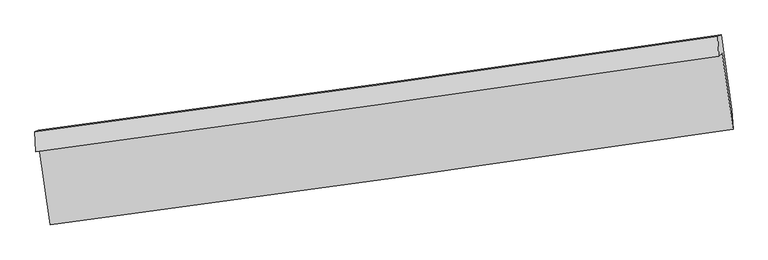
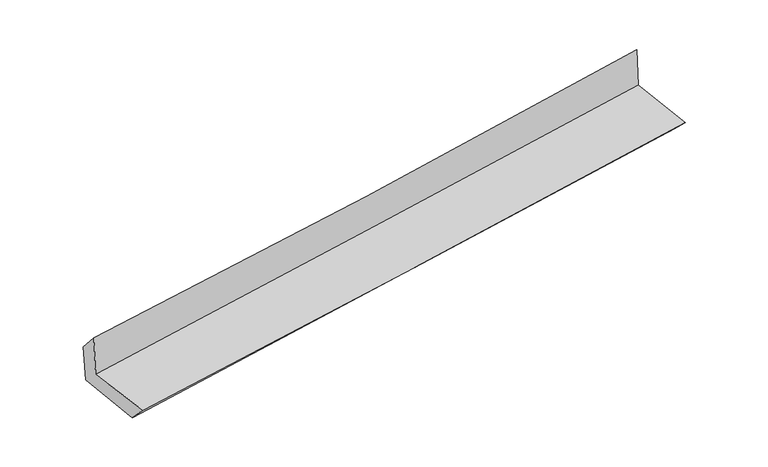
"""IFC4 building model written with IfcOpenShell, lengths in millimetres: proxy geometry."""

import ifcopenshell
import ifcopenshell.guid

model = None  # the IFC model being written
_history = None  # IfcOwnerHistory: only IFC2X3 demands one
_inside = {}  # id of a spatial element -> (the spatial element, [elements in it])
_under = {}  # id of a project, library or spatial element -> (it, [spatial elements below it])
_declared = {}  # id of a project -> (the project, [libraries it declares])
_typed = {}  # id of a type object -> (the type object, [elements of that type])
_made_of = {}  # id of a material, layer set ... -> (it, [elements and type objects made of it])


def new_model(schema):
    """Start an empty IFC model of exactly this schema.

    Asked for "IFC4X3", IfcOpenShell would pick the latest addendum, in which some entities
    have other attributes; the version numbers below select the first issue.
    IFC2X3 requires an IfcOwnerHistory on every rooted entity: one is made here for all.
    """
    global model, _history
    if schema == "IFC4X3":
        model = ifcopenshell.file(schema_version=(4, 3, 0, 0))
    else:
        model = ifcopenshell.file(schema=schema)
    _inside.clear()
    _under.clear()
    _declared.clear()
    _typed.clear()
    _made_of.clear()
    _history = None
    if model.schema == "IFC2X3":
        org = make("IfcOrganization", Name="unknown")
        user = make(
            "IfcPersonAndOrganization",
            ThePerson=make("IfcPerson", FamilyName="unknown"),
            TheOrganization=org,
        )
        app = make(
            "IfcApplication",
            ApplicationDeveloper=org,
            Version="unknown",
            ApplicationFullName="unknown",
            ApplicationIdentifier="unknown",
        )
        _history = make(
            "IfcOwnerHistory",
            OwningUser=user,
            OwningApplication=app,
            ChangeAction="ADDED",
            CreationDate=0,
        )
    return model


def make(cls, **values):
    """One entity of the class cls with the attributes given. An attribute that is None is left unset."""
    return model.create_entity(
        cls, **{name: value for name, value in values.items() if value is not None}
    )


def rooted(cls, **values):
    """An entity with a GlobalId (a new one), such as an element, a storey or a relation."""
    return make(cls, GlobalId=ifcopenshell.guid.new(), OwnerHistory=_history, **values)


def si_unit(unit_type, name, prefix=None):
    """IfcSIUnit, for example si_unit("LENGTHUNIT", "METRE", prefix="MILLI")."""
    return make("IfcSIUnit", UnitType=unit_type, Prefix=prefix, Name=name)


def assignment(units):
    """IfcUnitAssignment: the units of a project."""
    return None if units is None else make("IfcUnitAssignment", Units=units)


def point(xyz):
    """IfcCartesianPoint."""
    return None if xyz is None else make("IfcCartesianPoint", Coordinates=xyz)


def direction(xyz):
    """IfcDirection."""
    return None if xyz is None else make("IfcDirection", DirectionRatios=xyz)


def frame(location, z_axis=None, x_axis=None):
    """IfcAxis2Placement3D, a coordinate frame: its origin and axes. An axis left out is left unset."""
    return make(
        "IfcAxis2Placement3D",
        Location=point(location),
        Axis=direction(z_axis),
        RefDirection=direction(x_axis),
    )


def origin():
    """The frame at (0, 0, 0) with its axes left unset."""
    return frame((0.0, 0.0, 0.0))


def place(relative_to, where):
    """IfcLocalPlacement: puts the frame where relative to a parent placement (None: the world)."""
    return make(
        "IfcLocalPlacement", PlacementRelTo=relative_to, RelativePlacement=where
    )


def context(
    kind, dimensions, precision=None, world=None, true_north=None, identifier=None
):
    """IfcGeometricRepresentationContext, for example the 3D "Model" context."""
    return make(
        "IfcGeometricRepresentationContext",
        ContextIdentifier=identifier,
        ContextType=kind,
        CoordinateSpaceDimension=dimensions,
        Precision=precision,
        WorldCoordinateSystem=world,
        TrueNorth=true_north,
    )


def project(units=None, contexts=None):
    """IfcProject with its units and contexts."""
    return rooted(
        "IfcProject",
        Name="project",
        RepresentationContexts=contexts,
        UnitsInContext=assignment(units),
    )


def spatial(cls, under=None, at=None, **own):
    """A site, building, storey or space (cls), placed at a placement, below another one or the project."""
    s = rooted(cls, ObjectPlacement=at, **own)
    if under is not None:
        _under.setdefault(under.id(), (under, []))[1].append(s)
    return s


def shape(context_of_items, identifier, shape_type, items):
    """IfcShapeRepresentation: the items that make up one representation, for example the "Body"."""
    return make(
        "IfcShapeRepresentation",
        ContextOfItems=context_of_items,
        RepresentationIdentifier=identifier,
        RepresentationType=shape_type,
        Items=items,
    )


def source(mapping_origin, context_of_items, identifier, shape_type, items):
    """IfcRepresentationMap: a shape defined once, which mapped items show again and again."""
    return make(
        "IfcRepresentationMap",
        MappingOrigin=mapping_origin,
        MappedRepresentation=shape(context_of_items, identifier, shape_type, items),
    )


def transform(
    local_origin,
    x_axis=None,
    y_axis=None,
    z_axis=None,
    scale=None,
    scale2=None,
    scale3=None,
    uniform=True,
):
    """IfcCartesianTransformationOperator3D, or its non-uniform kind. x_axis, y_axis, z_axis: its Axis1, 2, 3."""
    if uniform:
        return make(
            "IfcCartesianTransformationOperator3D",
            Axis1=direction(x_axis),
            Axis2=direction(y_axis),
            LocalOrigin=point(local_origin),
            Scale=scale,
            Axis3=direction(z_axis),
        )
    return make(
        "IfcCartesianTransformationOperator3DnonUniform",
        Axis1=direction(x_axis),
        Axis2=direction(y_axis),
        LocalOrigin=point(local_origin),
        Scale=scale,
        Axis3=direction(z_axis),
        Scale2=scale2,
        Scale3=scale3,
    )


def mapped(mapping_source, mapping_target):
    """IfcMappedItem: shows the shape of a source again, moved by a transform."""
    return make(
        "IfcMappedItem", MappingSource=mapping_source, MappingTarget=mapping_target
    )


def made_of(thing, what):
    """Note that an element or type object is made of a material, layer set ...; save() writes the relation."""
    if what is not None:
        _made_of.setdefault(what.id(), (what, []))[1].append(thing)
    return thing


def element(
    cls,
    number,
    at=None,
    inside=None,
    cuts=None,
    type_object=None,
    material=None,
    context=None,
    identifier="Body",
    shape_type=None,
    held_by="IfcProductDefinitionShape",
    body=None,
    shapes=None,
    **own,
):
    """One element of the class cls, such as IfcWall. Its Tag is "e" and its number.

    at: its placement. inside: the storey or other place that contains it. cuts: it is an
    opening in that element (IfcRelVoidsElement). A single representation is given by context,
    identifier, shape_type and body (its items); several are given by shapes. held_by: the class
    of the entity that holds the representations. save() writes the other relations.
    """
    e = rooted(cls, Tag="e%d" % number, ObjectPlacement=at, **own)
    if body is not None:
        shapes = [shape(context, identifier, shape_type, body)]
    if shapes is not None:
        e.Representation = make(held_by, Representations=shapes)
    if inside is not None:
        _inside.setdefault(inside.id(), (inside, []))[1].append(e)
    if cuts is not None:
        rooted(
            "IfcRelVoidsElement", RelatingBuildingElement=cuts, RelatedOpeningElement=e
        )
    if type_object is not None:
        _typed.setdefault(type_object.id(), (type_object, []))[1].append(e)
    return made_of(e, material)


def aggregate(whole, parts):
    """IfcRelAggregates: a whole, such as a stair, and the parts it consists of."""
    return rooted("IfcRelAggregates", RelatingObject=whole, RelatedObjects=parts)


def save(model, path):
    """Write the relations noted so far, then the file.

    IfcRelAggregates (storeys below a building ...), IfcRelContainedInSpatialStructure (elements
    in a storey), IfcRelDefinesByType, IfcRelAssociatesMaterial and IfcRelDeclares: one each for
    every whole, place, type object, material and project.
    """
    for whole, parts in _under.values():
        aggregate(whole, parts)
    for where, things in _inside.values():
        rooted(
            "IfcRelContainedInSpatialStructure",
            RelatedElements=things,
            RelatingStructure=where,
        )
    for kind, things in _typed.values():
        rooted("IfcRelDefinesByType", RelatedObjects=things, RelatingType=kind)
    for what, things in _made_of.values():
        rooted("IfcRelAssociatesMaterial", RelatedObjects=things, RelatingMaterial=what)
    for by, libraries in _declared.values():
        rooted("IfcRelDeclares", RelatingContext=by, RelatedDefinitions=libraries)
    model.write(path)


def plane_surface(at):
    """IfcPlane: the flat surface through the origin of the frame at, square to its z axis."""
    return make("IfcPlane", Position=at)


def spline_curve(degree, points, multiplicities, knots, weights=None):
    """IfcBSplineCurveWithKnots; with weights, IfcRationalBSplineCurveWithKnots."""
    own = dict(
        Degree=degree,
        ControlPointsList=[point(p) for p in points],
        CurveForm="UNSPECIFIED",
        ClosedCurve=False,
        SelfIntersect=False,
        KnotMultiplicities=multiplicities,
        Knots=knots,
        KnotSpec="UNSPECIFIED",
    )
    if weights is None:
        return make("IfcBSplineCurveWithKnots", **own)
    return make("IfcRationalBSplineCurveWithKnots", WeightsData=weights, **own)


def spline_surface(u_degree, v_degree, points, u_multiplicities, v_multiplicities, u_knots, v_knots, weights=None):
    """IfcBSplineSurfaceWithKnots; with weights, IfcRationalBSplineSurfaceWithKnots. points: one row for each step in u."""
    own = dict(
        UDegree=u_degree,
        VDegree=v_degree,
        ControlPointsList=[[point(p) for p in row] for row in points],
        SurfaceForm="UNSPECIFIED",
        UClosed=False,
        VClosed=False,
        SelfIntersect=False,
        UMultiplicities=u_multiplicities,
        VMultiplicities=v_multiplicities,
        UKnots=u_knots,
        VKnots=v_knots,
        KnotSpec="UNSPECIFIED",
    )
    if weights is None:
        return make("IfcBSplineSurfaceWithKnots", **own)
    return make("IfcRationalBSplineSurfaceWithKnots", WeightsData=weights, **own)


def advanced_brep(points, edges, surfaces, faces):
    """IfcAdvancedBrep: a solid bounded by faces that lie on surfaces and meet in shared edges.

    An edge is (start, end): straight between two places in points (the first is 0);
    or (start, end, curve); or (start, end, curve, False) where it runs against its curve.
    A face is (place in surfaces, loops), or (place, loops, False) where it looks against
    its surface's normal. A loop lists edges by number (the first is 1), with a minus sign
    where the edge is run from its end to its start. The first loop is the outer one.
    """
    corners = [point(p) for p in points]
    vertices = [make("IfcVertexPoint", VertexGeometry=c) for c in corners]
    made = []
    for start, end, *more in edges:
        made.append(
            make(
                "IfcEdgeCurve",
                EdgeStart=vertices[start],
                EdgeEnd=vertices[end],
                EdgeGeometry=more[0] if more else make("IfcPolyline", Points=[corners[start], corners[end]]),
                SameSense=more[1] if len(more) > 1 else True,
            )
        )
    hull = []
    for where, loops, *sense in faces:
        bounds = []
        for j, loop in enumerate(loops):
            ring = [make("IfcOrientedEdge", EdgeElement=made[abs(k) - 1], Orientation=k > 0) for k in loop]
            bounds.append(
                make(
                    "IfcFaceOuterBound" if j == 0 else "IfcFaceBound",
                    Bound=make("IfcEdgeLoop", EdgeList=ring),
                    Orientation=True,
                )
            )
        hull.append(make("IfcAdvancedFace", Bounds=bounds, FaceSurface=surfaces[where], SameSense=sense[0] if sense else True))
    return make("IfcAdvancedBrep", Outer=make("IfcClosedShell", CfsFaces=hull))


def generic_models_9786837c(model_context):
    return source(origin(), model_context, "Body", "AdvancedBrep", [
        advanced_brep(
        [(-3006.6821248, -1918.5470822, 1671.4033771), (-2913.1944276, -2583.5057452, 1659.4992432), (3052.7755201, -1748.6826533, 2139.0803679), (2957.5568883, -1085.1748337, 2173.8986058), (-3038.3202676, -1945.0656993, 2090.2289712), (2926.9109725, -1110.861781, 2579.5891023), (-3045.8872223, -1770.7394773, 1892.4889397), (2919.245496, -936.2207759, 2382.4980766), (-3016.1698149, -1759.935154, 1522.3472365), (2948.1748446, -925.7029663, 2022.1719473), (-2921.4828015, -2412.1956887, 1475.2857384), (3042.8164975, -1577.6510298, 1975.1329944)],
        [
            (0, 1),
            (1, 2, spline_curve(3, [(-2913.1944276, -2583.5057452, 1659.4992432), (-1917.574700384, -2451.074007009, 1735.161779939), (-922.600108429, -2315.289464077, 1812.958189966), (1066.056537654, -2037.015084687, 1972.818574633), (2059.738595317, -1894.525264013, 2054.882539283), (3052.7755201, -1748.6826533, 2139.0803679)], [4, 2, 4], [0.0, 9.913338377901768, 19.826654158340528])),
            (2, 3),
            (3, 0, spline_curve(3, [(2957.5568883, -1085.1748337, 2173.8986058), (1964.231475124, -1231.259250672, 2093.519781633), (970.549417791, -1373.749071677, 2011.455816552), (-1017.530251508, -1651.539837336, 1843.957414941), (-2011.927865069, -1786.840766093, 1758.522970156), (-3006.6821248, -1918.5470822, 1671.4033771)], [4, 2, 4], [0.0, 9.91331578043876, 19.826654158340528])),
            (4, 0),
            (3, 5),
            (5, 4, spline_curve(3, [(2926.9109725, -1110.861781, 2579.5891023), (1934.99515867, -1255.764693147, 2480.550009205), (941.935216492, -1397.733066447, 2390.250488183), (-1046.475191786, -1675.801052482, 2227.1304049), (-2041.825662648, -1811.900652008, 2154.309881891), (-3038.3202676, -1945.0656993, 2090.2289712)], [4, 2, 4], [0.0, 9.913346650306751, 19.82671589814688])),
            (6, 4),
            (5, 7),
            (7, 6, spline_curve(3, [(2919.245496, -936.2207759, 2382.4980766), (1925.842436727, -1082.315433749, 2303.056703558), (932.047080747, -1224.905912295, 2222.501970405), (-1056.330490004, -1503.078828953, 2059.165596432), (-2050.912707051, -1638.66125066, 1976.383950994), (-3045.8872223, -1770.7394773, 1892.4889397)], [4, 2, 4], [0.0, 9.913373748884183, 19.826770095363514])),
            (8, 6),
            (7, 9),
            (9, 8, spline_curve(3, [(2948.1748446, -925.7029663, 2022.1719473), (1954.632036155, -1071.848432505, 1944.471205259), (960.832476821, -1214.44043937, 1863.968825957), (-1027.282408378, -1492.517851569, 1697.360601751), (-2021.597735653, -1628.003240398, 1611.254744325), (-3016.1698149, -1759.935154, 1522.3472365)], [4, 2, 4], [0.0, 9.913328740178336, 19.826680077849225])),
            (10, 8),
            (9, 11),
            (11, 10, spline_curve(3, [(3042.8164975, -1577.6510298, 1975.1329944), (2049.266563873, -1723.747413598, 1897.435793735), (1055.46722204, -1866.340918555, 1816.933306328), (-932.63254318, -2144.522487303, 1650.317566972), (-1926.932967779, -2280.11053558, 1564.204302768), (-2921.4828015, -2412.1956887, 1475.2857384)], [4, 2, 4], [0.0, 9.913344086185447, 19.826710769898426])),
            (1, 10),
            (11, 2),
        ],
        [
            spline_surface(3, 3, [[(-3006.6821248, -1918.5470822, 1671.4033771), (-2011.927865177, -1786.840766124, 1758.52297016), (-1017.53025156, -1651.539837444, 1843.957414799), (970.549417843, -1373.749071568, 2011.455816695), (1964.231475269, -1231.259250724, 2093.519781599), (2957.5568883, -1085.1748337, 2173.8986058)], [(-2975.519559068, -2140.199969858, 1667.435332479), (-1980.476810242, -2008.251846457, 1750.735906757), (-985.886870563, -1872.789712954, 1833.624339843), (1002.385124463, -1594.837742623, 1998.576735988), (1996.06718189, -1452.347921779, 2080.640700892), (2989.296432218, -1306.344106891, 2162.292526518)], [(-2944.356993332, -2361.852857542, 1663.467287821), (-1949.025755303, -2229.662926815, 1742.948843317), (-954.243489521, -2094.039588492, 1823.291264933), (1034.220831129, -1815.926413707, 1985.697655328), (2027.902888555, -1673.436592862, 2067.761620132), (3021.035976182, -1527.513380109, 2150.686447182)], [(-2913.1944276, -2583.5057452, 1659.4992432), (-1917.574700369, -2451.074007147, 1735.161779915), (-922.600108524, -2315.289464002, 1812.958189977), (1066.056537749, -2037.015084761, 1972.818574622), (2059.738595176, -1894.525263917, 2054.882539426), (3052.7755201, -1748.6826533, 2139.0803679)]], [4, 4], [4, 2, 4], [0.0, 2.2021292711327733], [0.0, 9.913338377901768, 19.826654158340528]),
            spline_surface(3, 3, [[(-3038.3202676, -1945.0656993, 2090.2289712), (-2041.82566276, -1811.900651949, 2154.309882027), (-1046.475191733, -1675.801052542, 2227.130404771), (941.935216439, -1397.733066387, 2390.250488312), (1934.995158736, -1255.764693046, 2480.550009273), (2926.9109725, -1110.861781, 2579.5891023)], [(-3027.774219988, -1936.226160259, 1950.620439815), (-2031.859730221, -1803.547356666, 2022.380911386), (-1036.826878325, -1667.713980855, 2099.406074782), (951.47328359, -1389.73840146, 2263.985597774), (1944.740597566, -1247.596212286, 2351.539933378), (2937.126277752, -1102.299465247, 2444.358936796)], [(-3017.228172412, -1927.386621241, 1811.011908485), (-2021.893797716, -1795.194061407, 1890.4519408), (-1027.178564968, -1659.626909131, 1971.681744789), (961.011350691, -1381.743736496, 2137.720707233), (1954.486036439, -1239.427731484, 2222.529857494), (2947.341583048, -1093.737149453, 2309.128771304)], [(-3006.6821248, -1918.5470822, 1671.4033771), (-2011.927865177, -1786.840766124, 1758.52297016), (-1017.53025156, -1651.539837444, 1843.957414799), (970.549417843, -1373.749071568, 2011.455816695), (1964.231475269, -1231.259250724, 2093.519781599), (2957.5568883, -1085.1748337, 2173.8986058)]], [4, 4], [4, 2, 4], [0.0, 1.2560040999665156], [0.0, 9.913369247840128, 19.82671589814688]),
            spline_surface(3, 3, [[(-3045.8872223, -1770.7394773, 1892.4889397), (-2050.912707038, -1638.661250583, 1976.383950847), (-1056.330490121, -1503.078828841, 2059.165596468), (932.047080865, -1224.905912407, 2222.50197037), (1925.8424367, -1082.315433666, 2303.056703693), (2919.245496, -936.2207759, 2382.4980766)], [(-3043.36490406, -1828.848217968, 1958.402283537), (-2047.883692272, -1696.407717707, 2035.692594578), (-1053.045390658, -1560.652903392, 2115.153865927), (935.343126057, -1282.514963718, 2278.418143042), (1928.893344065, -1140.131853443, 2362.221138877), (2921.800654853, -994.434444251, 2448.195085157)], [(-3040.84258584, -1886.956958632, 2024.315627363), (-2044.854677526, -1754.154184825, 2095.001238296), (-1049.760291196, -1618.22697799, 2171.142135312), (938.639171247, -1340.124015076, 2334.33431564), (1931.944251371, -1197.948273269, 2421.38557409), (2924.355813647, -1052.648112649, 2513.892093743)], [(-3038.3202676, -1945.0656993, 2090.2289712), (-2041.82566276, -1811.900651949, 2154.309882027), (-1046.475191733, -1675.801052542, 2227.130404771), (941.935216439, -1397.733066387, 2390.250488312), (1934.995158736, -1255.764693046, 2480.550009273), (2926.9109725, -1110.861781, 2579.5891023)]], [4, 4], [4, 2, 4], [0.0, 0.790977793743481], [0.0, 9.913396346479331, 19.826770095363514]),
            spline_surface(3, 3, [[(-3016.1698149, -1759.935154, 1522.3472365), (-2021.597735797, -1628.00324053, 1611.254744306), (-1027.282408455, -1492.517851531, 1697.360601769), (960.832476898, -1214.440439408, 1863.968825939), (1954.632036009, -1071.848432553, 1944.471205391), (2948.1748446, -925.7029663, 2022.1719473)], [(-3026.07561737, -1763.536595096, 1645.727804233), (-2031.36939288, -1631.555910544, 1732.964479819), (-1036.965102352, -1496.038177303, 1817.962266672), (951.237344879, -1217.928930409, 1983.479874086), (1945.035502886, -1075.337432952, 2063.999704826), (2938.53172838, -929.208902861, 2142.280657068)], [(-3035.98141983, -1767.138036204, 1769.108371967), (-2041.141049954, -1635.10858057, 1854.674215334), (-1046.647796225, -1499.55850307, 1938.563931564), (941.642212883, -1221.417421406, 2102.990922222), (1935.438969822, -1078.826433267, 2183.528204258), (2928.88861222, -932.714839339, 2262.389366832)], [(-3045.8872223, -1770.7394773, 1892.4889397), (-2050.912707038, -1638.661250583, 1976.383950847), (-1056.330490121, -1503.078828841, 2059.165596468), (932.047080865, -1224.905912407, 2222.50197037), (1925.8424367, -1082.315433666, 2303.056703693), (2919.245496, -936.2207759, 2382.4980766)]], [4, 4], [4, 2, 4], [0.0, 1.185961076041495], [0.0, 9.913351337670889, 19.826680077849225]),
            spline_surface(3, 3, [[(-2921.4828015, -2412.1956887, 1475.2857384), (-1926.932967825, -2280.110535471, 1564.204302666), (-932.632543157, -2144.522487393, 1650.317567036), (1055.467222017, -1866.340918464, 1816.933306263), (2049.266563727, -1723.74741356, 1897.43579386), (3042.8164975, -1577.6510298, 1975.1329944)], [(-2953.045139321, -2194.775510477, 1490.972904439), (-1958.487890503, -2062.741437168, 1579.887783219), (-964.182498247, -1927.187608794, 1665.998578589), (1023.922306987, -1649.040758801, 1832.611812798), (2017.721721181, -1506.447753205, 1913.114264369), (3011.269279893, -1360.335008613, 1990.812645365)], [(-2984.607477079, -1977.355332223, 1506.660070461), (-1990.042813119, -1845.372338833, 1595.571263754), (-995.732453365, -1709.85273013, 1681.679590216), (992.377391928, -1431.740599072, 1848.290319405), (1986.176878555, -1289.148092909, 1928.792734882), (2979.722062207, -1143.018987487, 2006.492296335)], [(-3016.1698149, -1759.935154, 1522.3472365), (-2021.597735797, -1628.00324053, 1611.254744306), (-1027.282408455, -1492.517851531, 1697.360601769), (960.832476898, -1214.440439408, 1863.968825939), (1954.632036009, -1071.848432553, 1944.471205391), (2948.1748446, -925.7029663, 2022.1719473)]], [4, 4], [4, 2, 4], [0.0, 2.1668749054752263], [0.0, 9.91336668371298, 19.826710769898426]),
            spline_surface(3, 3, [[(-2913.1944276, -2583.5057452, 1659.4992432), (-1917.574700369, -2451.074007147, 1735.161779915), (-922.600108524, -2315.289464002, 1812.958189977), (1066.056537749, -2037.015084761, 1972.818574622), (2059.738595176, -1894.525263917, 2054.882539426), (3052.7755201, -1748.6826533, 2139.0803679)], [(-2915.957218892, -2526.402393041, 1598.094741597), (-1920.694122847, -2394.086183262, 1678.175954162), (-925.944253406, -2258.367138456, 1758.744649006), (1062.526765834, -1980.123695986, 1920.856818512), (2056.24791803, -1837.599313802, 2002.400290901), (3049.455845903, -1691.672112137, 2084.431243397)], [(-2918.720010208, -2469.299040859, 1536.690240003), (-1923.813545347, -2337.098359355, 1621.190128419), (-929.288398275, -2201.44481294, 1704.531108006), (1058.996993932, -1923.23230724, 1868.895062373), (2052.757240873, -1780.673363676, 1949.918042386), (3046.136171697, -1634.661570963, 2029.782118903)], [(-2921.4828015, -2412.1956887, 1475.2857384), (-1926.932967825, -2280.110535471, 1564.204302666), (-932.632543157, -2144.522487393, 1650.317567036), (1055.467222017, -1866.340918464, 1816.933306263), (2049.266563727, -1723.74741356, 1897.43579386), (3042.8164975, -1577.6510298, 1975.1329944)]], [4, 4], [4, 2, 4], [0.0, 0.7667380814028105], [0.0, 9.913342066246518, 19.826661535021618]),
            plane_surface(frame((2974.5800365, -1230.7156733, 2212.0618491), z_axis=(0.9870278330285949, 0.13727757723885078, 0.08325216882644974), x_axis=(-0.07999519834656235, -0.029083761329378257, 0.9963708662282483))),
            plane_surface(frame((-2990.2894431, -2064.9981411, 1718.542251), z_axis=(-0.9870278330287361, -0.13727757723800976, -0.08325216882616276), x_axis=(-0.13920066475464865, 0.9901055507442613, 0.017724934901625543))),
        ],
        [
            (0, [[1, 2, 3, 4]]),
            (1, [[5, -4, 6, 7]]),
            (2, [[8, -7, 9, 10]]),
            (3, [[11, -10, 12, 13]]),
            (4, [[14, -13, 15, 16]]),
            (5, [[17, -16, 18, -2]]),
            (6, [[-12, -9, -6, -3, -18, -15]]),
            (7, [[-1, -5, -8, -11, -14, -17]]),
        ],
    ),
    ])


if __name__ == "__main__":
    model = new_model("IFC4")
    model_context = context("Model", 3, world=origin())
    ifc_project = project(units=[si_unit("LENGTHUNIT", "METRE", prefix="MILLI")], contexts=[model_context])
    site = spatial("IfcSite", under=ifc_project)
    building = spatial("IfcBuilding", under=site)
    placement = place(None, origin())
    generic_models_shape = generic_models_9786837c(model_context)
    element("IfcBuildingElementProxy", 1, Name="Generic Models", at=placement, inside=building, context=model_context, shape_type="MappedRepresentation", body=[
        mapped(generic_models_shape, transform((0.0, 0.0, 0.0), x_axis=(1.0, 0.0, 0.0), y_axis=(0.0, 1.0, 0.0), z_axis=(0.0, 0.0, 1.0))),
    ])
    save(model, "model.ifc")
